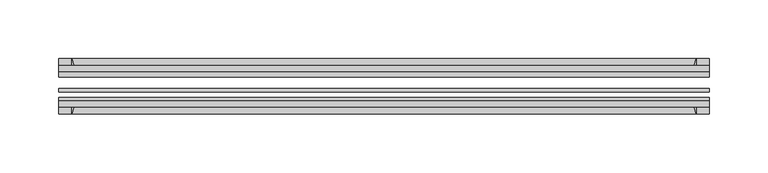
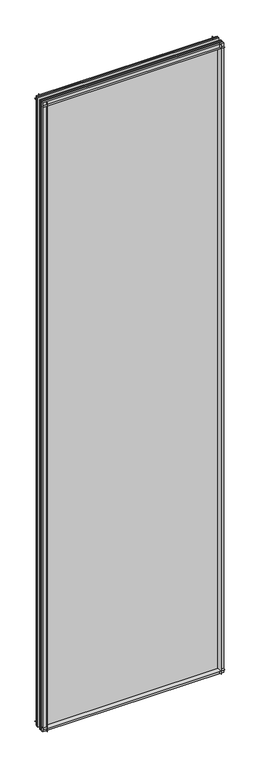
"""IFC4 building model written with IfcOpenShell, lengths in millimetres: plate geometry."""

from ifc_helpers import new_model, si_unit, point, frame, frame_2d, origin, place, context, project, spatial, polyline, circle_curve, trimmed, segment, composite_curve, outline, extrude, source, transform, mapped, element, save


def plate_64ca83cb(model_context):
    return source(origin(), model_context, "Body", "SweptSolid", [
        extrude(outline(composite_curve([segment(polyline([(-74.653775, 0.0), (-80.586498, 0.0)]), True, "CONTINUOUS"), segment(trimmed(circle_curve(frame_2d((-86.2543953, 32.273404)), 32.7673262), [point((-80.586498, 0.0))], [point((-69.878575, 3.8915405))], True, "CARTESIAN"), True, "CONTINUOUS"), segment(polyline([(-69.878575, 3.8915405), (-69.878575, -10.31875), (-74.653775, -10.31875), (-74.653775, 0.0)]), True, "CONTINUOUS")], self_intersect=False)), frame((-303.165813, 0.0, 0.0), z_axis=(1.0, 0.0, 0.0), x_axis=(0.0, 1.0, 0.0)), (0.0, 0.0, 1.0), 552.3566259),
        extrude(outline(composite_curve([segment(polyline([(-44.478575, -10.31875), (-44.478575, 3.8915405)]), True, "CONTINUOUS"), segment(trimmed(circle_curve(frame_2d((-28.1027547, 32.273404)), 32.7673262), [point((-44.478575, 3.8915405))], [point((-33.770652, 0.0))], True, "CARTESIAN"), True, "CONTINUOUS"), segment(polyline([(-33.770652, 0.0), (-39.703375, 0.0), (-39.703375, -10.31875), (-44.478575, -10.31875)]), True, "CONTINUOUS")], self_intersect=False)), frame((-303.165813, 0.0, 0.0), z_axis=(1.0, 0.0, 0.0), x_axis=(0.0, 1.0, 0.0)), (0.0, 0.0, 1.0), 552.3566259),
        extrude(outline(composite_curve([segment(trimmed(circle_curve(frame_2d((-86.2543953, 1977.495246)), 32.7673262), [point((-69.878575, 2005.8771095))], [point((-80.622775, 2009.775))], True, "CARTESIAN"), True, "CONTINUOUS"), segment(polyline([(-80.622775, 2009.775), (-74.653775, 2009.775), (-74.653775, 2020.8875), (-69.878575, 2020.8875), (-69.878575, 2005.8771095)]), True, "CONTINUOUS")], self_intersect=False)), frame((-303.165813, 0.0, 0.0), z_axis=(1.0, 0.0, 0.0), x_axis=(0.0, 1.0, 0.0)), (0.0, 0.0, 1.0), 552.3566259),
        extrude(outline(composite_curve([segment(polyline([(-44.478575, 2005.8771095), (-44.478575, 2020.8875), (-39.703375, 2020.8875), (-39.703375, 2009.775), (-33.734375, 2009.775)]), True, "CONTINUOUS"), segment(trimmed(circle_curve(frame_2d((-28.1027547, 1977.495246)), 32.7673262), [point((-33.734375, 2009.775))], [point((-44.478575, 2005.8771095))], True, "CARTESIAN"), True, "CONTINUOUS")], self_intersect=False)), frame((-303.165813, 0.0, 0.0), z_axis=(1.0, 0.0, 0.0), x_axis=(0.0, 1.0, 0.0)), (0.0, 0.0, 1.0), 552.3566259),
        extrude(outline(composite_curve([segment(polyline([(234.1804224, -69.878575), (249.190813, -69.878575), (249.190813, -74.653775), (238.078313, -74.653775), (238.078313, -80.622775)]), True, "CONTINUOUS"), segment(trimmed(circle_curve(frame_2d((205.798559, -86.2543953)), 32.7673262), [point((238.078313, -80.622775))], [point((234.1804224, -69.878575))], True, "CARTESIAN"), True, "CONTINUOUS")], self_intersect=False)), frame((0.0, 0.0, -10.31875), z_axis=(0.0, 0.0, 1.0), x_axis=(1.0, 0.0, 0.0)), (0.0, 0.0, 1.0), 2031.20625),
        extrude(outline(composite_curve([segment(trimmed(circle_curve(frame_2d((205.798559, -28.1027547)), 32.7673262), [point((234.1804224, -44.478575))], [point((238.078313, -33.734375))], True, "CARTESIAN"), True, "CONTINUOUS"), segment(polyline([(238.078313, -33.734375), (238.078313, -39.703375), (249.190813, -39.703375), (249.190813, -44.478575), (234.1804224, -44.478575)]), True, "CONTINUOUS")], self_intersect=False)), frame((0.0, 0.0, -10.31875), z_axis=(0.0, 0.0, 1.0), x_axis=(1.0, 0.0, 0.0)), (0.0, 0.0, 1.0), 2031.20625),
        extrude(outline(composite_curve([segment(trimmed(circle_curve(frame_2d((-259.773559, -86.2543953)), 32.7673262), [point((-288.1554224, -69.878575))], [point((-292.053313, -80.622775))], True, "CARTESIAN"), True, "CONTINUOUS"), segment(polyline([(-292.053313, -80.622775), (-292.053313, -74.653775), (-303.165813, -74.653775), (-303.165813, -69.878575), (-288.1554224, -69.878575)]), True, "CONTINUOUS")], self_intersect=False)), frame((0.0, 0.0, -10.31875), z_axis=(0.0, 0.0, 1.0), x_axis=(1.0, 0.0, 0.0)), (0.0, 0.0, 1.0), 2031.20625),
        extrude(outline(composite_curve([segment(polyline([(-288.1554224, -44.478575), (-303.165813, -44.478575), (-303.165813, -39.703375), (-292.053313, -39.703375), (-292.053313, -33.734375)]), True, "CONTINUOUS"), segment(trimmed(circle_curve(frame_2d((-259.773559, -28.1027547)), 32.7673262), [point((-292.053313, -33.734375))], [point((-288.1554224, -44.478575))], True, "CARTESIAN"), True, "CONTINUOUS")], self_intersect=False)), frame((0.0, 0.0, -10.31875), z_axis=(0.0, 0.0, 1.0), x_axis=(1.0, 0.0, 0.0)), (0.0, 0.0, 1.0), 2031.20625),
        extrude(outline(polyline([(-303.165813, -44.478575), (249.190813, -44.478575), (249.190813, -49.241075), (-303.165813, -49.241075), (-303.165813, -44.478575)])), frame((0.0, 0.0, -10.31875), z_axis=(0.0, 0.0, 1.0), x_axis=(1.0, 0.0, 0.0)), (0.0, 0.0, 1.0), 2031.20625),
        extrude(outline(polyline([(249.190813, -58.956575), (249.190813, -62.131575), (-303.165813, -62.131575), (-303.165813, -58.956575), (249.190813, -58.956575)])), frame((0.0, 0.0, -10.31875), z_axis=(0.0, 0.0, 1.0), x_axis=(1.0, 0.0, 0.0)), (0.0, 0.0, 1.0), 2031.20625),
        extrude(outline(polyline([(-303.165813, -66.703575), (249.190813, -66.703575), (249.190813, -69.878575), (-303.165813, -69.878575), (-303.165813, -66.703575)])), frame((0.0, 0.0, -10.31875), z_axis=(0.0, 0.0, 1.0), x_axis=(1.0, 0.0, 0.0)), (0.0, 0.0, 1.0), 2031.20625),
    ])


if __name__ == "__main__":
    model = new_model("IFC4")
    model_context = context("Model", 3, world=origin())
    ifc_project = project(units=[si_unit("LENGTHUNIT", "METRE", prefix="MILLI")], contexts=[model_context])
    site = spatial("IfcSite", under=ifc_project)
    building = spatial("IfcBuilding", under=site)
    placement = place(None, origin())
    plate_shape = plate_64ca83cb(model_context)
    element("IfcPlate", 1, at=placement, inside=building, context=model_context, shape_type="MappedRepresentation", body=[
        mapped(plate_shape, transform((0.0, 0.0, 0.0), x_axis=(1.0, 0.0, 0.0), y_axis=(0.0, 1.0, 0.0), z_axis=(0.0, 0.0, 1.0))),
    ])
    save(model, "model.ifc")
